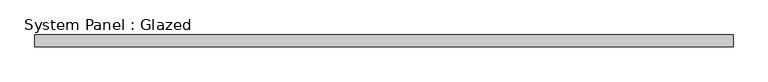
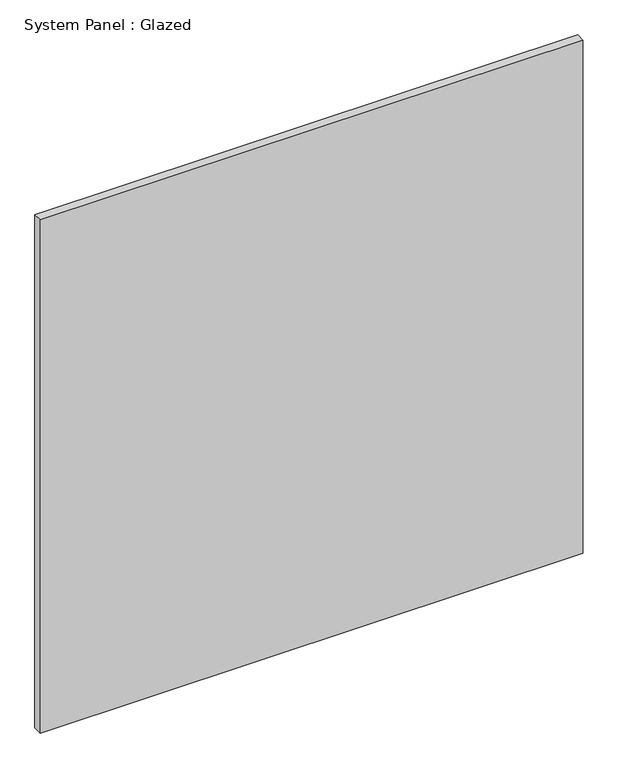
"""IFC4 building model written with IfcOpenShell, lengths in millimetres: plate geometry, System Panel : Glazed."""

import ifcopenshell
import ifcopenshell.guid

model = None  # the IFC model being written
_history = None  # IfcOwnerHistory: only IFC2X3 demands one
_inside = {}  # id of a spatial element -> (the spatial element, [elements in it])
_under = {}  # id of a project, library or spatial element -> (it, [spatial elements below it])
_declared = {}  # id of a project -> (the project, [libraries it declares])
_typed = {}  # id of a type object -> (the type object, [elements of that type])
_made_of = {}  # id of a material, layer set ... -> (it, [elements and type objects made of it])


def new_model(schema):
    """Start an empty IFC model of exactly this schema.

    Asked for "IFC4X3", IfcOpenShell would pick the latest addendum, in which some entities
    have other attributes; the version numbers below select the first issue.
    IFC2X3 requires an IfcOwnerHistory on every rooted entity: one is made here for all.
    """
    global model, _history
    if schema == "IFC4X3":
        model = ifcopenshell.file(schema_version=(4, 3, 0, 0))
    else:
        model = ifcopenshell.file(schema=schema)
    _inside.clear()
    _under.clear()
    _declared.clear()
    _typed.clear()
    _made_of.clear()
    _history = None
    if model.schema == "IFC2X3":
        org = make("IfcOrganization", Name="unknown")
        user = make(
            "IfcPersonAndOrganization",
            ThePerson=make("IfcPerson", FamilyName="unknown"),
            TheOrganization=org,
        )
        app = make(
            "IfcApplication",
            ApplicationDeveloper=org,
            Version="unknown",
            ApplicationFullName="unknown",
            ApplicationIdentifier="unknown",
        )
        _history = make(
            "IfcOwnerHistory",
            OwningUser=user,
            OwningApplication=app,
            ChangeAction="ADDED",
            CreationDate=0,
        )
    return model


def make(cls, **values):
    """One entity of the class cls with the attributes given. An attribute that is None is left unset."""
    return model.create_entity(
        cls, **{name: value for name, value in values.items() if value is not None}
    )


def rooted(cls, **values):
    """An entity with a GlobalId (a new one), such as an element, a storey or a relation."""
    return make(cls, GlobalId=ifcopenshell.guid.new(), OwnerHistory=_history, **values)


def si_unit(unit_type, name, prefix=None):
    """IfcSIUnit, for example si_unit("LENGTHUNIT", "METRE", prefix="MILLI")."""
    return make("IfcSIUnit", UnitType=unit_type, Prefix=prefix, Name=name)


def assignment(units):
    """IfcUnitAssignment: the units of a project."""
    return None if units is None else make("IfcUnitAssignment", Units=units)


def point(xyz):
    """IfcCartesianPoint."""
    return None if xyz is None else make("IfcCartesianPoint", Coordinates=xyz)


def direction(xyz):
    """IfcDirection."""
    return None if xyz is None else make("IfcDirection", DirectionRatios=xyz)


def frame(location, z_axis=None, x_axis=None):
    """IfcAxis2Placement3D, a coordinate frame: its origin and axes. An axis left out is left unset."""
    return make(
        "IfcAxis2Placement3D",
        Location=point(location),
        Axis=direction(z_axis),
        RefDirection=direction(x_axis),
    )


def origin():
    """The frame at (0, 0, 0) with its axes left unset."""
    return frame((0.0, 0.0, 0.0))


def origin_with_axes():
    """The frame at (0, 0, 0) with the z axis (0, 0, 1) and the x axis (1, 0, 0) written out."""
    return frame((0.0, 0.0, 0.0), z_axis=(0.0, 0.0, 1.0), x_axis=(1.0, 0.0, 0.0))


def place(relative_to, where):
    """IfcLocalPlacement: puts the frame where relative to a parent placement (None: the world)."""
    return make(
        "IfcLocalPlacement", PlacementRelTo=relative_to, RelativePlacement=where
    )


def context(
    kind, dimensions, precision=None, world=None, true_north=None, identifier=None
):
    """IfcGeometricRepresentationContext, for example the 3D "Model" context."""
    return make(
        "IfcGeometricRepresentationContext",
        ContextIdentifier=identifier,
        ContextType=kind,
        CoordinateSpaceDimension=dimensions,
        Precision=precision,
        WorldCoordinateSystem=world,
        TrueNorth=true_north,
    )


def project(units=None, contexts=None):
    """IfcProject with its units and contexts."""
    return rooted(
        "IfcProject",
        Name="project",
        RepresentationContexts=contexts,
        UnitsInContext=assignment(units),
    )


def spatial(cls, under=None, at=None, **own):
    """A site, building, storey or space (cls), placed at a placement, below another one or the project."""
    s = rooted(cls, ObjectPlacement=at, **own)
    if under is not None:
        _under.setdefault(under.id(), (under, []))[1].append(s)
    return s


def polyline(points):
    """IfcPolyline through the points."""
    return make("IfcPolyline", Points=[point(p) for p in points])


def outline(outer, holes=None, kind="AREA"):
    """IfcArbitraryClosedProfileDef: a profile drawn as a closed curve; with holes, ...WithVoids."""
    if holes is None:
        return make("IfcArbitraryClosedProfileDef", ProfileType=kind, OuterCurve=outer)
    return make(
        "IfcArbitraryProfileDefWithVoids",
        ProfileType=kind,
        OuterCurve=outer,
        InnerCurves=holes,
    )


def extrude(swept, where, along, depth):
    """IfcExtrudedAreaSolid: the profile swept, set in the frame where, extruded along a direction by depth."""
    return make(
        "IfcExtrudedAreaSolid",
        SweptArea=swept,
        Position=where,
        ExtrudedDirection=direction(along),
        Depth=depth,
    )


def shape(context_of_items, identifier, shape_type, items):
    """IfcShapeRepresentation: the items that make up one representation, for example the "Body"."""
    return make(
        "IfcShapeRepresentation",
        ContextOfItems=context_of_items,
        RepresentationIdentifier=identifier,
        RepresentationType=shape_type,
        Items=items,
    )


def source(mapping_origin, context_of_items, identifier, shape_type, items):
    """IfcRepresentationMap: a shape defined once, which mapped items show again and again."""
    return make(
        "IfcRepresentationMap",
        MappingOrigin=mapping_origin,
        MappedRepresentation=shape(context_of_items, identifier, shape_type, items),
    )


def transform(
    local_origin,
    x_axis=None,
    y_axis=None,
    z_axis=None,
    scale=None,
    scale2=None,
    scale3=None,
    uniform=True,
):
    """IfcCartesianTransformationOperator3D, or its non-uniform kind. x_axis, y_axis, z_axis: its Axis1, 2, 3."""
    if uniform:
        return make(
            "IfcCartesianTransformationOperator3D",
            Axis1=direction(x_axis),
            Axis2=direction(y_axis),
            LocalOrigin=point(local_origin),
            Scale=scale,
            Axis3=direction(z_axis),
        )
    return make(
        "IfcCartesianTransformationOperator3DnonUniform",
        Axis1=direction(x_axis),
        Axis2=direction(y_axis),
        LocalOrigin=point(local_origin),
        Scale=scale,
        Axis3=direction(z_axis),
        Scale2=scale2,
        Scale3=scale3,
    )


def mapped(mapping_source, mapping_target):
    """IfcMappedItem: shows the shape of a source again, moved by a transform."""
    return make(
        "IfcMappedItem", MappingSource=mapping_source, MappingTarget=mapping_target
    )


def made_of(thing, what):
    """Note that an element or type object is made of a material, layer set ...; save() writes the relation."""
    if what is not None:
        _made_of.setdefault(what.id(), (what, []))[1].append(thing)
    return thing


def element(
    cls,
    number,
    at=None,
    inside=None,
    cuts=None,
    type_object=None,
    material=None,
    context=None,
    identifier="Body",
    shape_type=None,
    held_by="IfcProductDefinitionShape",
    body=None,
    shapes=None,
    **own,
):
    """One element of the class cls, such as IfcWall. Its Tag is "e" and its number.

    at: its placement. inside: the storey or other place that contains it. cuts: it is an
    opening in that element (IfcRelVoidsElement). A single representation is given by context,
    identifier, shape_type and body (its items); several are given by shapes. held_by: the class
    of the entity that holds the representations. save() writes the other relations.
    """
    e = rooted(cls, Tag="e%d" % number, ObjectPlacement=at, **own)
    if body is not None:
        shapes = [shape(context, identifier, shape_type, body)]
    if shapes is not None:
        e.Representation = make(held_by, Representations=shapes)
    if inside is not None:
        _inside.setdefault(inside.id(), (inside, []))[1].append(e)
    if cuts is not None:
        rooted(
            "IfcRelVoidsElement", RelatingBuildingElement=cuts, RelatedOpeningElement=e
        )
    if type_object is not None:
        _typed.setdefault(type_object.id(), (type_object, []))[1].append(e)
    return made_of(e, material)


def aggregate(whole, parts):
    """IfcRelAggregates: a whole, such as a stair, and the parts it consists of."""
    return rooted("IfcRelAggregates", RelatingObject=whole, RelatedObjects=parts)


def save(model, path):
    """Write the relations noted so far, then the file.

    IfcRelAggregates (storeys below a building ...), IfcRelContainedInSpatialStructure (elements
    in a storey), IfcRelDefinesByType, IfcRelAssociatesMaterial and IfcRelDeclares: one each for
    every whole, place, type object, material and project.
    """
    for whole, parts in _under.values():
        aggregate(whole, parts)
    for where, things in _inside.values():
        rooted(
            "IfcRelContainedInSpatialStructure",
            RelatedElements=things,
            RelatingStructure=where,
        )
    for kind, things in _typed.values():
        rooted("IfcRelDefinesByType", RelatedObjects=things, RelatingType=kind)
    for what, things in _made_of.values():
        rooted("IfcRelAssociatesMaterial", RelatedObjects=things, RelatingMaterial=what)
    for by, libraries in _declared.values():
        rooted("IfcRelDeclares", RelatingContext=by, RelatedDefinitions=libraries)
    model.write(path)


def system_panel_glazed_d755c81c(model_context):
    return source(origin(), model_context, "Body", "SweptSolid", [
        extrude(outline(polyline([(750.0, -44.45), (-750.0, -44.45), (-750.0, -19.05), (750.0, -19.05), (750.0, -44.45)])), origin_with_axes(), (0.0, 0.0, 1.0), 1500.0),
    ])


if __name__ == "__main__":
    model = new_model("IFC4")
    model_context = context("Model", 3, world=origin())
    ifc_project = project(units=[si_unit("LENGTHUNIT", "METRE", prefix="MILLI")], contexts=[model_context])
    site = spatial("IfcSite", under=ifc_project)
    building = spatial("IfcBuilding", under=site)
    placement = place(None, origin())
    system_panel_glazed_shape = system_panel_glazed_d755c81c(model_context)
    element("IfcPlate", 1, ObjectType="System Panel : Glazed", at=placement, inside=building, context=model_context, shape_type="MappedRepresentation", body=[
        mapped(system_panel_glazed_shape, transform((0.0, 0.0, 0.0), x_axis=(1.0, 0.0, 0.0), y_axis=(0.0, 1.0, 0.0), z_axis=(0.0, 0.0, 1.0))),
    ])
    save(model, "model.ifc")
